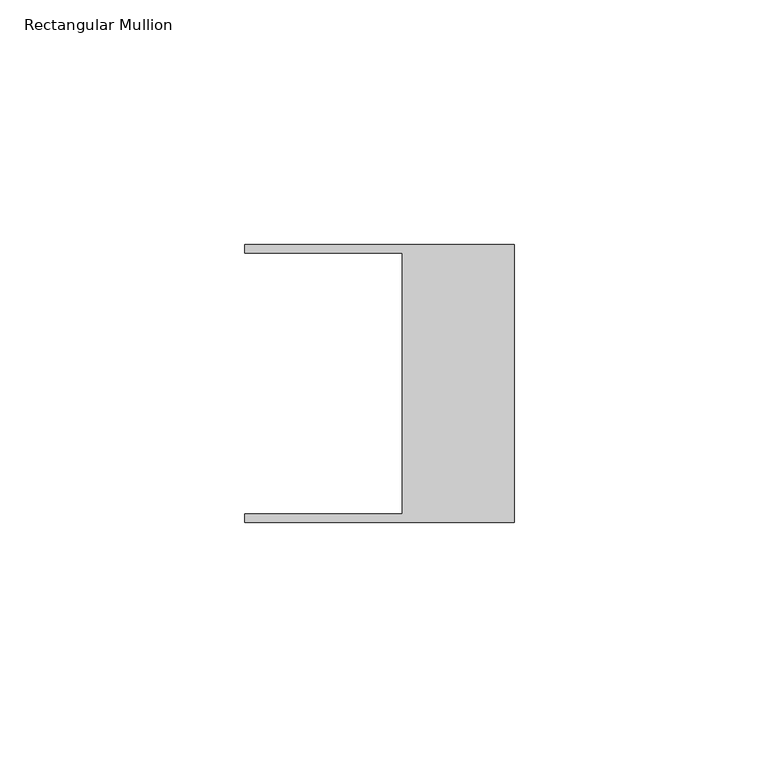
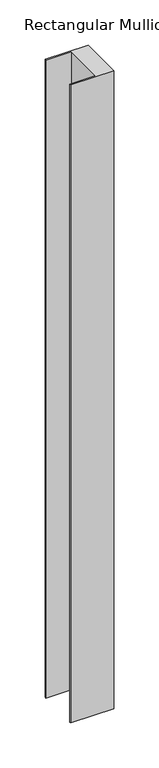
"""IFC4 building model written with IfcOpenShell, lengths in millimetres: member geometry, Rectangular Mullion."""

from ifc_helpers import new_model, si_unit, frame, origin, place, context, project, spatial, polyline, outline, extrude, source, transform, mapped, element, save


def rectangular_mullion_29670f43(model_context):
    return source(origin(), model_context, "Body", "SweptSolid", [
        extrude(outline(polyline([(-55.118, -26.67), (-22.86, -26.67), (-22.86, 26.67), (-55.118, 26.67), (-55.118, 28.448), (0.0, 28.448), (0.0, -28.448), (-55.118, -28.448), (-55.118, -26.67)])), frame((0.0, 0.0, -863.6), z_axis=(0.0, 0.0, 1.0), x_axis=(1.0, 0.0, 0.0)), (0.0, 0.0, 1.0), 863.6),
    ])


if __name__ == "__main__":
    model = new_model("IFC4")
    model_context = context("Model", 3, world=origin())
    ifc_project = project(units=[si_unit("LENGTHUNIT", "METRE", prefix="MILLI")], contexts=[model_context])
    site = spatial("IfcSite", under=ifc_project)
    building = spatial("IfcBuilding", under=site)
    placement = place(None, origin())
    rectangular_mullion_shape = rectangular_mullion_29670f43(model_context)
    element("IfcMember", 1, ObjectType="Rectangular Mullion", at=placement, inside=building, context=model_context, shape_type="MappedRepresentation", body=[
        mapped(rectangular_mullion_shape, transform((0.0, 0.0, 0.0), x_axis=(1.0, 0.0, 0.0), y_axis=(0.0, 1.0, 0.0), z_axis=(0.0, 0.0, 1.0))),
    ])
    save(model, "model.ifc")
